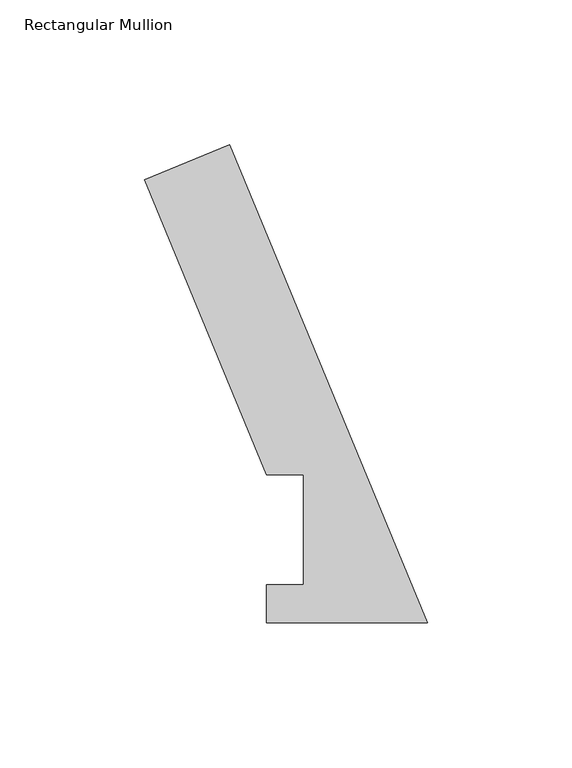
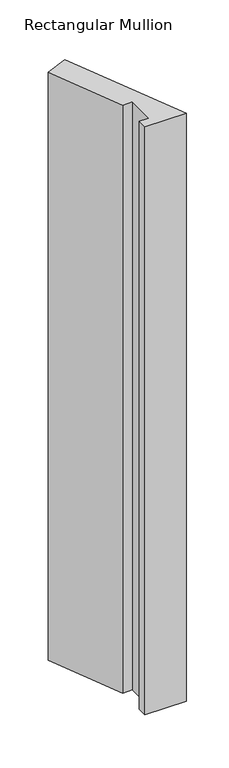
"""IFC4 building model written with IfcOpenShell, lengths in millimetres: member geometry, Rectangular Mullion."""

from ifc_helpers import new_model, si_unit, frame, origin, place, context, project, spatial, polyline, outline, extrude, source, transform, mapped, element, save


def rectangular_mullion_8d0e49d5(model_context):
    return source(origin(), model_context, "Body", "SweptSolid", [
        extrude(outline(polyline([(-97.8168646, 153.2347441), (-68.4836894, 165.384943), (0.0, 0.0506912), (-55.6176679, 0.0506912), (-55.6176679, 13.2332912), (-42.8924931, 13.2332912), (-42.8924931, 51.2960938), (-55.5924931, 51.2960938), (-97.8168646, 153.2347441)])), frame((0.0, 0.0, -838.2000001), z_axis=(0.0, 0.0, 1.0), x_axis=(1.0, 0.0, 0.0)), (0.0, 0.0, 1.0), 838.2000001),
    ])


if __name__ == "__main__":
    model = new_model("IFC4")
    model_context = context("Model", 3, world=origin())
    ifc_project = project(units=[si_unit("LENGTHUNIT", "METRE", prefix="MILLI")], contexts=[model_context])
    site = spatial("IfcSite", under=ifc_project)
    building = spatial("IfcBuilding", under=site)
    placement = place(None, origin())
    rectangular_mullion_shape = rectangular_mullion_8d0e49d5(model_context)
    element("IfcMember", 1, ObjectType="Rectangular Mullion", at=placement, inside=building, context=model_context, shape_type="MappedRepresentation", body=[
        mapped(rectangular_mullion_shape, transform((0.0, 0.0, 0.0), x_axis=(1.0, 0.0, 0.0), y_axis=(0.0, 1.0, 0.0), z_axis=(0.0, 0.0, 1.0))),
    ])
    save(model, "model.ifc")
